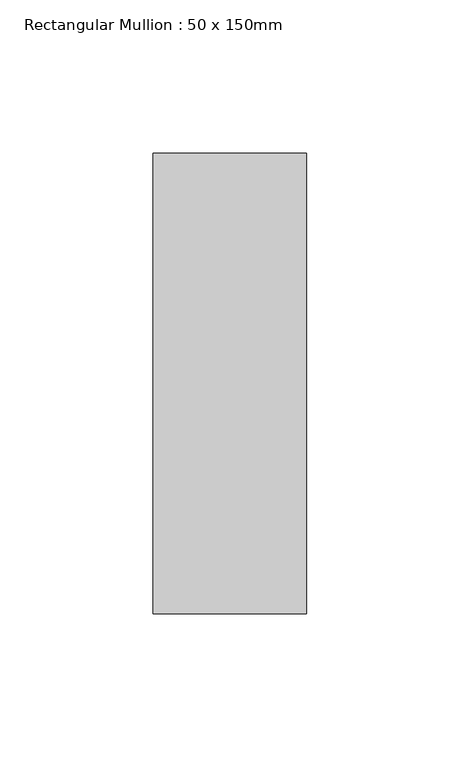
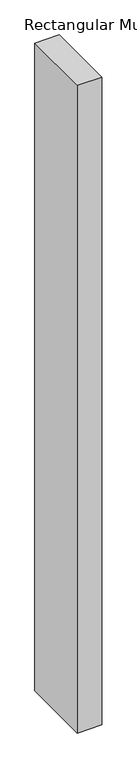
"""IFC4 building model written with IfcOpenShell, lengths in millimetres: member geometry, Rectangular Mullion : 50 x 150mm."""

import ifcopenshell
import ifcopenshell.guid

model = None  # the IFC model being written
_history = None  # IfcOwnerHistory: only IFC2X3 demands one
_inside = {}  # id of a spatial element -> (the spatial element, [elements in it])
_under = {}  # id of a project, library or spatial element -> (it, [spatial elements below it])
_declared = {}  # id of a project -> (the project, [libraries it declares])
_typed = {}  # id of a type object -> (the type object, [elements of that type])
_made_of = {}  # id of a material, layer set ... -> (it, [elements and type objects made of it])


def new_model(schema):
    """Start an empty IFC model of exactly this schema.

    Asked for "IFC4X3", IfcOpenShell would pick the latest addendum, in which some entities
    have other attributes; the version numbers below select the first issue.
    IFC2X3 requires an IfcOwnerHistory on every rooted entity: one is made here for all.
    """
    global model, _history
    if schema == "IFC4X3":
        model = ifcopenshell.file(schema_version=(4, 3, 0, 0))
    else:
        model = ifcopenshell.file(schema=schema)
    _inside.clear()
    _under.clear()
    _declared.clear()
    _typed.clear()
    _made_of.clear()
    _history = None
    if model.schema == "IFC2X3":
        org = make("IfcOrganization", Name="unknown")
        user = make(
            "IfcPersonAndOrganization",
            ThePerson=make("IfcPerson", FamilyName="unknown"),
            TheOrganization=org,
        )
        app = make(
            "IfcApplication",
            ApplicationDeveloper=org,
            Version="unknown",
            ApplicationFullName="unknown",
            ApplicationIdentifier="unknown",
        )
        _history = make(
            "IfcOwnerHistory",
            OwningUser=user,
            OwningApplication=app,
            ChangeAction="ADDED",
            CreationDate=0,
        )
    return model


def make(cls, **values):
    """One entity of the class cls with the attributes given. An attribute that is None is left unset."""
    return model.create_entity(
        cls, **{name: value for name, value in values.items() if value is not None}
    )


def rooted(cls, **values):
    """An entity with a GlobalId (a new one), such as an element, a storey or a relation."""
    return make(cls, GlobalId=ifcopenshell.guid.new(), OwnerHistory=_history, **values)


def si_unit(unit_type, name, prefix=None):
    """IfcSIUnit, for example si_unit("LENGTHUNIT", "METRE", prefix="MILLI")."""
    return make("IfcSIUnit", UnitType=unit_type, Prefix=prefix, Name=name)


def assignment(units):
    """IfcUnitAssignment: the units of a project."""
    return None if units is None else make("IfcUnitAssignment", Units=units)


def point(xyz):
    """IfcCartesianPoint."""
    return None if xyz is None else make("IfcCartesianPoint", Coordinates=xyz)


def direction(xyz):
    """IfcDirection."""
    return None if xyz is None else make("IfcDirection", DirectionRatios=xyz)


def frame(location, z_axis=None, x_axis=None):
    """IfcAxis2Placement3D, a coordinate frame: its origin and axes. An axis left out is left unset."""
    return make(
        "IfcAxis2Placement3D",
        Location=point(location),
        Axis=direction(z_axis),
        RefDirection=direction(x_axis),
    )


def origin():
    """The frame at (0, 0, 0) with its axes left unset."""
    return frame((0.0, 0.0, 0.0))


def place(relative_to, where):
    """IfcLocalPlacement: puts the frame where relative to a parent placement (None: the world)."""
    return make(
        "IfcLocalPlacement", PlacementRelTo=relative_to, RelativePlacement=where
    )


def context(
    kind, dimensions, precision=None, world=None, true_north=None, identifier=None
):
    """IfcGeometricRepresentationContext, for example the 3D "Model" context."""
    return make(
        "IfcGeometricRepresentationContext",
        ContextIdentifier=identifier,
        ContextType=kind,
        CoordinateSpaceDimension=dimensions,
        Precision=precision,
        WorldCoordinateSystem=world,
        TrueNorth=true_north,
    )


def project(units=None, contexts=None):
    """IfcProject with its units and contexts."""
    return rooted(
        "IfcProject",
        Name="project",
        RepresentationContexts=contexts,
        UnitsInContext=assignment(units),
    )


def spatial(cls, under=None, at=None, **own):
    """A site, building, storey or space (cls), placed at a placement, below another one or the project."""
    s = rooted(cls, ObjectPlacement=at, **own)
    if under is not None:
        _under.setdefault(under.id(), (under, []))[1].append(s)
    return s


def polyline(points):
    """IfcPolyline through the points."""
    return make("IfcPolyline", Points=[point(p) for p in points])


def outline(outer, holes=None, kind="AREA"):
    """IfcArbitraryClosedProfileDef: a profile drawn as a closed curve; with holes, ...WithVoids."""
    if holes is None:
        return make("IfcArbitraryClosedProfileDef", ProfileType=kind, OuterCurve=outer)
    return make(
        "IfcArbitraryProfileDefWithVoids",
        ProfileType=kind,
        OuterCurve=outer,
        InnerCurves=holes,
    )


def extrude(swept, where, along, depth):
    """IfcExtrudedAreaSolid: the profile swept, set in the frame where, extruded along a direction by depth."""
    return make(
        "IfcExtrudedAreaSolid",
        SweptArea=swept,
        Position=where,
        ExtrudedDirection=direction(along),
        Depth=depth,
    )


def shape(context_of_items, identifier, shape_type, items):
    """IfcShapeRepresentation: the items that make up one representation, for example the "Body"."""
    return make(
        "IfcShapeRepresentation",
        ContextOfItems=context_of_items,
        RepresentationIdentifier=identifier,
        RepresentationType=shape_type,
        Items=items,
    )


def source(mapping_origin, context_of_items, identifier, shape_type, items):
    """IfcRepresentationMap: a shape defined once, which mapped items show again and again."""
    return make(
        "IfcRepresentationMap",
        MappingOrigin=mapping_origin,
        MappedRepresentation=shape(context_of_items, identifier, shape_type, items),
    )


def transform(
    local_origin,
    x_axis=None,
    y_axis=None,
    z_axis=None,
    scale=None,
    scale2=None,
    scale3=None,
    uniform=True,
):
    """IfcCartesianTransformationOperator3D, or its non-uniform kind. x_axis, y_axis, z_axis: its Axis1, 2, 3."""
    if uniform:
        return make(
            "IfcCartesianTransformationOperator3D",
            Axis1=direction(x_axis),
            Axis2=direction(y_axis),
            LocalOrigin=point(local_origin),
            Scale=scale,
            Axis3=direction(z_axis),
        )
    return make(
        "IfcCartesianTransformationOperator3DnonUniform",
        Axis1=direction(x_axis),
        Axis2=direction(y_axis),
        LocalOrigin=point(local_origin),
        Scale=scale,
        Axis3=direction(z_axis),
        Scale2=scale2,
        Scale3=scale3,
    )


def mapped(mapping_source, mapping_target):
    """IfcMappedItem: shows the shape of a source again, moved by a transform."""
    return make(
        "IfcMappedItem", MappingSource=mapping_source, MappingTarget=mapping_target
    )


def made_of(thing, what):
    """Note that an element or type object is made of a material, layer set ...; save() writes the relation."""
    if what is not None:
        _made_of.setdefault(what.id(), (what, []))[1].append(thing)
    return thing


def element(
    cls,
    number,
    at=None,
    inside=None,
    cuts=None,
    type_object=None,
    material=None,
    context=None,
    identifier="Body",
    shape_type=None,
    held_by="IfcProductDefinitionShape",
    body=None,
    shapes=None,
    **own,
):
    """One element of the class cls, such as IfcWall. Its Tag is "e" and its number.

    at: its placement. inside: the storey or other place that contains it. cuts: it is an
    opening in that element (IfcRelVoidsElement). A single representation is given by context,
    identifier, shape_type and body (its items); several are given by shapes. held_by: the class
    of the entity that holds the representations. save() writes the other relations.
    """
    e = rooted(cls, Tag="e%d" % number, ObjectPlacement=at, **own)
    if body is not None:
        shapes = [shape(context, identifier, shape_type, body)]
    if shapes is not None:
        e.Representation = make(held_by, Representations=shapes)
    if inside is not None:
        _inside.setdefault(inside.id(), (inside, []))[1].append(e)
    if cuts is not None:
        rooted(
            "IfcRelVoidsElement", RelatingBuildingElement=cuts, RelatedOpeningElement=e
        )
    if type_object is not None:
        _typed.setdefault(type_object.id(), (type_object, []))[1].append(e)
    return made_of(e, material)


def aggregate(whole, parts):
    """IfcRelAggregates: a whole, such as a stair, and the parts it consists of."""
    return rooted("IfcRelAggregates", RelatingObject=whole, RelatedObjects=parts)


def save(model, path):
    """Write the relations noted so far, then the file.

    IfcRelAggregates (storeys below a building ...), IfcRelContainedInSpatialStructure (elements
    in a storey), IfcRelDefinesByType, IfcRelAssociatesMaterial and IfcRelDeclares: one each for
    every whole, place, type object, material and project.
    """
    for whole, parts in _under.values():
        aggregate(whole, parts)
    for where, things in _inside.values():
        rooted(
            "IfcRelContainedInSpatialStructure",
            RelatedElements=things,
            RelatingStructure=where,
        )
    for kind, things in _typed.values():
        rooted("IfcRelDefinesByType", RelatedObjects=things, RelatingType=kind)
    for what, things in _made_of.values():
        rooted("IfcRelAssociatesMaterial", RelatedObjects=things, RelatingMaterial=what)
    for by, libraries in _declared.values():
        rooted("IfcRelDeclares", RelatingContext=by, RelatedDefinitions=libraries)
    model.write(path)


def rectangular_mullion_50_x_150mm_50592593(model_context):
    return source(origin(), model_context, "Body", "SweptSolid", [
        extrude(outline(polyline([(25.0, 75.0), (25.0, -75.0), (-25.0, -75.0), (-25.0, 75.0), (25.0, 75.0)])), frame((0.0, 0.0, -1398.6842105), z_axis=(0.0, 0.0, 1.0), x_axis=(1.0, 0.0, 0.0)), (0.0, 0.0, 1.0), 1398.6842105),
    ])


if __name__ == "__main__":
    model = new_model("IFC4")
    model_context = context("Model", 3, world=origin())
    ifc_project = project(units=[si_unit("LENGTHUNIT", "METRE", prefix="MILLI")], contexts=[model_context])
    site = spatial("IfcSite", under=ifc_project)
    building = spatial("IfcBuilding", under=site)
    placement = place(None, origin())
    rectangular_mullion_50_x_150mm_shape = rectangular_mullion_50_x_150mm_50592593(model_context)
    element("IfcMember", 1, ObjectType="Rectangular Mullion : 50 x 150mm", at=placement, inside=building, context=model_context, shape_type="MappedRepresentation", body=[
        mapped(rectangular_mullion_50_x_150mm_shape, transform((0.0, 0.0, 0.0), x_axis=(1.0, 0.0, 0.0), y_axis=(0.0, 1.0, 0.0), z_axis=(0.0, 0.0, 1.0))),
    ])
    save(model, "model.ifc")
